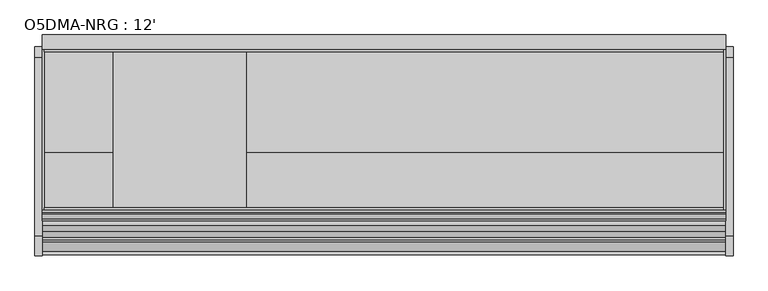
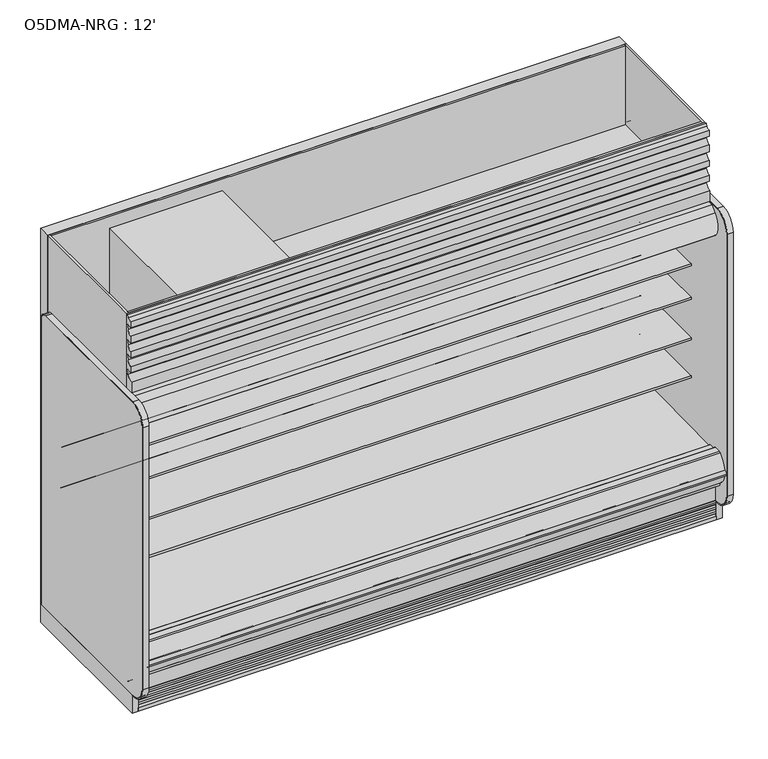
"""IFC4 building model written with IfcOpenShell, lengths in millimetres: proxy geometry, O5DMA-NRG : 12'."""

from ifc_helpers import new_model, si_unit, point, frame, frame_2d, origin, origin_with_axes, place, context, project, spatial, polyline, circle_curve, trimmed, segment, composite_curve, outline, extrude, source, transform, mapped, element, save
from ifc_brep_helpers import plane_surface, cylinder_surface, revolved_surface, advanced_brep


def o5dma_nrg_12_dc35bb54(model_context):
    return source(origin(), model_context, "Body", "SolidModel", [
        extrude(outline(composite_curve([segment(polyline([(-1263.6866217, 2085.9118693), (-1318.6996994, 2085.9118693), (-1318.6996994, 2154.4143683)]), True, "CONTINUOUS"), segment(trimmed(circle_curve(frame_2d((-1319.6860573, 2197.5880723)), 43.1849699), [point((-1318.6996994, 2154.4143683))], [point((-1278.4754826, 2184.6795423))], True, "CARTESIAN"), True, "CONTINUOUS"), segment(polyline([(-1278.4754826, 2184.6795423), (-1268.454686, 2220.5791394), (-1302.3579387, 2213.7016488), (-1308.8711502, 2213.7016488), (-1308.8711502, 2254.1281122)]), True, "CONTINUOUS"), segment(trimmed(circle_curve(frame_2d((-1322.8567475, 2297.2085177)), 45.2936891), [point((-1308.8711502, 2254.1281122))], [point((-1279.6211841, 2283.7102095))], True, "CARTESIAN"), True, "CONTINUOUS"), segment(polyline([(-1279.6211841, 2283.7102095), (-1268.454686, 2319.2947996), (-1302.3579387, 2312.4173089), (-1308.7129688, 2312.4173089), (-1308.7129688, 2352.8952074)]), True, "CONTINUOUS"), segment(trimmed(circle_curve(frame_2d((-1323.0244337, 2396.1573595)), 45.5678816), [point((-1308.7129688, 2352.8952074))], [point((-1279.5752621, 2382.4241398))], True, "CARTESIAN"), True, "CONTINUOUS"), segment(polyline([(-1279.5752621, 2382.4241398), (-1268.454686, 2417.6074274), (-1302.3579387, 2411.1335648), (-1308.7129688, 2411.1335648), (-1308.7129688, 2456.6217182)]), True, "CONTINUOUS"), segment(trimmed(circle_curve(frame_2d((-1323.0244337, 2499.8838703)), 45.5678816), [point((-1308.7129688, 2456.6217182))], [point((-1279.5752621, 2486.1506506))], True, "CARTESIAN"), True, "CONTINUOUS"), segment(polyline([(-1279.5752621, 2486.1506506), (-1268.454686, 2521.3339382), (-1302.3579387, 2514.8600756), (-1308.7129688, 2514.8600756), (-1308.7129688, 2555.3379741)]), True, "CONTINUOUS"), segment(trimmed(circle_curve(frame_2d((-1306.8077518, 2590.2849342)), 34.9988553), [point((-1308.7129688, 2555.3379741))], [point((-1281.9927789, 2565.6042334))], True, "CARTESIAN"), True, "CONTINUOUS"), segment(polyline([(-1281.9927789, 2565.6042334), (-1277.4161637, 2582.0), (-1263.6866217, 2582.0), (-1263.6866217, 2085.9118693)]), True, "CONTINUOUS")], self_intersect=False)), frame((0.0, 0.0, 0.0), z_axis=(1.0, 0.0, 0.0), x_axis=(0.0, 1.0, 0.0)), (0.0, 0.0, 1.0), 3657.6),
        extrude(outline(polyline([(245.4971536, -595.3134422), (245.4971536, -709.6134422), (67.6971536, -709.6134422), (67.6971536, -595.3134422), (245.4971536, -595.3134422)])), frame((0.0, 0.0, 68.5310382), z_axis=(0.0, 0.0, 1.0), x_axis=(1.0, 0.0, 0.0)), (0.0, 0.0, 1.0), 6.35),
        extrude(outline(polyline([(3657.6, -325.3089273), (3657.6, -401.5089273), (0.0, -401.5089273), (0.0, -325.3089273), (3657.6, -325.3089273)])), frame((0.0, 0.0, 206.450819), z_axis=(0.0, 0.0, 1.0), x_axis=(1.0, 0.0, 0.0)), (0.0, 0.0, 1.0), 2375.549181),
        extrude(outline(polyline([(-401.5089273, 2053.8264246), (-955.9036792, 2053.8264246), (-955.9036792, 2075.2), (-1263.6866217, 2075.2), (-1263.6866217, 2582.0), (-401.5089273, 2582.0), (-401.5089273, 2053.8264246)])), frame((3644.9, 0.0, 0.0), z_axis=(1.0, 0.0, 0.0), x_axis=(0.0, 1.0, 0.0)), (0.0, 0.0, 1.0), 12.7),
        extrude(outline(polyline([(3644.9, -401.5089273), (3644.9, -414.2089273), (12.7, -414.2089273), (12.7, -401.5089273), (3644.9, -401.5089273)])), frame((0.0, 0.0, 2053.8264246), z_axis=(0.0, 0.0, 1.0), x_axis=(1.0, 0.0, 0.0)), (0.0, 0.0, 1.0), 528.1735754),
        extrude(outline(polyline([(3644.9, -1249.5614572), (3644.9, -1263.6866217), (12.7, -1263.6866217), (12.7, -1249.5614572), (3644.9, -1249.5614572)])), frame((0.0, 0.0, 2075.2), z_axis=(0.0, 0.0, 1.0), x_axis=(1.0, 0.0, 0.0)), (0.0, 0.0, 1.0), 506.8),
        extrude(outline(polyline([(-401.5089273, 2053.8264246), (-955.9242099, 2053.8264246), (-955.9242099, 2075.2), (-1263.6866217, 2075.2), (-1263.6866217, 2582.0), (-401.5089273, 2582.0), (-401.5089273, 2053.8264246)])), frame((0.0, 0.0, 0.0), z_axis=(1.0, 0.0, 0.0), x_axis=(0.0, 1.0, 0.0)), (0.0, 0.0, 1.0), 12.7),
        extrude(outline(composite_curve([segment(polyline([(-504.9331995, 794.189381), (-504.9331995, 719.0883547), (-528.313746, 719.0883547)]), True, "CONTINUOUS"), segment(trimmed(circle_curve(frame_2d((-528.7455821, 744.4846835)), 25.4), [point((-528.313746, 719.0883547))], [point((-544.7229383, 724.7392008))], False, "CARTESIAN"), True, "CONTINUOUS"), segment(polyline([(-544.7229383, 724.7392008), (-562.5749995, 739.1844663)]), True, "CONTINUOUS"), segment(trimmed(circle_curve(frame_2d((-602.5183901, 689.8207596)), 63.5), [point((-562.5749995, 739.1844663))], [point((-594.6205089, 752.8276915))], True, "CARTESIAN"), True, "CONTINUOUS"), segment(polyline([(-594.6205089, 752.8276915), (-869.1842482, 776.5248289), (-870.6730247, 779.965381), (-1114.4144075, 779.965381), (-1114.4144075, 794.189381), (-504.9331995, 794.189381)]), True, "CONTINUOUS")], self_intersect=False)), frame((0.0, 0.0, 0.0), z_axis=(1.0, 0.0, 0.0), x_axis=(0.0, 1.0, 0.0)), (0.0, 0.0, 1.0), 3657.6),
        extrude(outline(composite_curve([segment(polyline([(-504.9331995, 1049.544493), (-504.9331995, 974.4434667), (-528.313746, 974.4434667)]), True, "CONTINUOUS"), segment(trimmed(circle_curve(frame_2d((-528.7455821, 999.8397955)), 25.4), [point((-528.313746, 974.4434667))], [point((-544.7229383, 980.0943128))], False, "CARTESIAN"), True, "CONTINUOUS"), segment(polyline([(-544.7229383, 980.0943128), (-562.5749995, 994.5395783)]), True, "CONTINUOUS"), segment(trimmed(circle_curve(frame_2d((-602.5183901, 945.1758716)), 63.5), [point((-562.5749995, 994.5395783))], [point((-594.6205089, 1008.1828035))], True, "CARTESIAN"), True, "CONTINUOUS"), segment(polyline([(-594.6205089, 1008.1828035), (-869.1842482, 1031.8799409), (-870.6730247, 1035.320493), (-1114.4144075, 1035.320493), (-1114.4144075, 1049.544493), (-504.9331995, 1049.544493)]), True, "CONTINUOUS")], self_intersect=False)), frame((0.0, 0.0, 0.0), z_axis=(1.0, 0.0, 0.0), x_axis=(0.0, 1.0, 0.0)), (0.0, 0.0, 1.0), 3657.6),
        extrude(outline(composite_curve([segment(polyline([(-504.9331995, 1319.5585779), (-504.9331995, 1244.4575515), (-528.313746, 1244.4575515)]), True, "CONTINUOUS"), segment(trimmed(circle_curve(frame_2d((-528.7455821, 1269.8538803)), 25.4), [point((-528.313746, 1244.4575515))], [point((-544.7229383, 1250.1083976))], False, "CARTESIAN"), True, "CONTINUOUS"), segment(polyline([(-544.7229383, 1250.1083976), (-562.5749995, 1264.5536632)]), True, "CONTINUOUS"), segment(trimmed(circle_curve(frame_2d((-602.5183901, 1215.1899564)), 63.5), [point((-562.5749995, 1264.5536632))], [point((-594.6205089, 1278.1968884))], True, "CARTESIAN"), True, "CONTINUOUS"), segment(polyline([(-594.6205089, 1278.1968884), (-869.1842482, 1301.8940258), (-870.6730247, 1305.3345779), (-1114.4144075, 1305.3345779), (-1114.4144075, 1319.5585779), (-504.9331995, 1319.5585779)]), True, "CONTINUOUS")], self_intersect=False)), frame((0.0, 0.0, 0.0), z_axis=(1.0, 0.0, 0.0), x_axis=(0.0, 1.0, 0.0)), (0.0, 0.0, 1.0), 3657.6),
        extrude(outline(polyline([(-819.1925954, 1873.7130953), (-820.7483185, 1873.3970543), (-824.056726, 1889.6828121), (-824.056726, 1949.6779319), (-754.206726, 1949.6779319), (-754.206726, 1948.4203121), (-766.112976, 1948.4203121), (-801.831726, 1924.6078121), (-801.831726, 1948.4203121), (-822.469226, 1948.4203121), (-822.469226, 1889.8424301), (-819.1925954, 1873.7130953)])), frame((0.0, 0.0, 0.0), z_axis=(1.0, 0.0, 0.0), x_axis=(0.0, 1.0, 0.0)), (0.0, 0.0, 1.0), 3657.6),
        extrude(outline(composite_curve([segment(trimmed(circle_curve(frame_2d((-774.1696558, 1920.6997366)), 14.2875), [point((-788.4571558, 1920.6997366))], [point((-759.8821558, 1920.6997366))], False, "CARTESIAN"), True, "CONTINUOUS"), segment(trimmed(circle_curve(frame_2d((-774.1696558, 1920.6997366)), 14.2875), [point((-759.8821558, 1920.6997366))], [point((-788.4571558, 1920.6997366))], False, "CARTESIAN"), True, "CONTINUOUS")], self_intersect=False)), frame((0.0, 0.0, 0.0), z_axis=(1.0, 0.0, 0.0), x_axis=(0.0, 1.0, 0.0)), (0.0, 0.0, 1.0), 3657.6),
        extrude(outline(polyline([(0.0, -6.35), (0.0, 0.0), (3657.6, 0.0), (3657.6, -6.35), (0.0, -6.35)])), frame((3657.6, -524.3976265, 1670.2859362), z_axis=(0.0, -0.580702955710887, 0.8141155183563569), x_axis=(-1.0, 0.0, 0.0)), (0.0, 0.0, 1.0), 300.455534),
        extrude(outline(composite_curve([segment(trimmed(circle_curve(frame_2d((-507.6345065, 1656.5706649)), 2.8575), [point((-504.9331995, 1655.6388672))], [point((-506.5179923, 1653.9403223))], False, "CARTESIAN"), True, "CONTINUOUS"), segment(polyline([(-506.5179923, 1653.9403223), (-515.6142737, 1650.0791799)]), True, "CONTINUOUS"), segment(trimmed(circle_curve(frame_2d((-516.7307879, 1652.7095225)), 2.8575), [point((-515.6142737, 1650.0791799))], [point((-519.2768391, 1651.4122447))], False, "CARTESIAN"), True, "CONTINUOUS"), segment(polyline([(-519.2768391, 1651.4122447), (-527.2046481, 1666.971446)]), True, "CONTINUOUS"), segment(trimmed(circle_curve(frame_2d((-526.0730698, 1667.5480139)), 1.27), [point((-527.2046481, 1666.971446))], [point((-526.6496378, 1668.6795922))], False, "CARTESIAN"), True, "CONTINUOUS"), segment(polyline([(-526.6496378, 1668.6795922), (-519.227993, 1673.9734), (-507.4434516, 1657.4520824), (-506.0470065, 1656.5706649), (-506.0470065, 1694.6699147), (-504.9331995, 1694.6699147), (-504.9331995, 1655.6388672)]), True, "CONTINUOUS")], self_intersect=False)), frame((0.0, 0.0, 0.0), z_axis=(1.0, 0.0, 0.0), x_axis=(0.0, 1.0, 0.0)), (0.0, 0.0, 1.0), 3657.6),
        extrude(outline(composite_curve([segment(polyline([(-696.8626604, 1923.0080191), (-693.7034096, 1918.5789129), (-698.8730432, 1914.8914491), (-701.4750016, 1914.0888217)]), True, "CONTINUOUS"), segment(trimmed(circle_curve(frame_2d((-702.1352778, 1916.2293059)), 2.2400083), [point((-701.4750016, 1914.0888217))], [point((-703.3202525, 1914.3283924))], False, "CARTESIAN"), True, "CONTINUOUS"), segment(polyline([(-703.3202525, 1914.3283924), (-727.3498745, 1948.0166799), (-743.2248745, 1948.0166799), (-743.2248745, 1949.6779319), (-726.9748589, 1949.6779319), (-714.1682492, 1931.7237274), (-704.480356, 1938.6340345)]), True, "CONTINUOUS"), segment(trimmed(circle_curve(frame_2d((-703.7428632, 1937.6001078)), 1.27), [point((-704.480356, 1938.6340345))], [point((-702.7089365, 1938.3376005))], False, "CARTESIAN"), True, "CONTINUOUS"), segment(polyline([(-702.7089365, 1938.3376005), (-693.4902771, 1925.4135167), (-696.8626604, 1923.0080191)]), True, "CONTINUOUS")], self_intersect=False)), frame((0.0, 0.0, 0.0), z_axis=(1.0, 0.0, 0.0), x_axis=(0.0, 1.0, 0.0)), (0.0, 0.0, 1.0), 3657.6),
        extrude(outline(composite_curve([segment(trimmed(circle_curve(frame_2d((368.3, 3578.0090336)), 12.7), [point((368.3, 3590.7090336))], [point((368.3, 3565.3090336))], False, "CARTESIAN"), True, "CONTINUOUS"), segment(trimmed(circle_curve(frame_2d((368.3, 3578.0090336)), 12.7), [point((368.3, 3565.3090336))], [point((368.3, 3590.7090336))], False, "CARTESIAN"), True, "CONTINUOUS")], self_intersect=False)), frame((0.0, -447.5561252, 0.0), z_axis=(0.0, 1.0, 0.0), x_axis=(0.0, 0.0, 1.0)), (0.0, 0.0, 1.0), 52.3971979),
        extrude(outline(composite_curve([segment(trimmed(circle_curve(frame_2d((368.3, 3539.5972115)), 9.525), [point((368.3, 3549.1222115))], [point((368.3, 3530.0722115))], False, "CARTESIAN"), True, "CONTINUOUS"), segment(trimmed(circle_curve(frame_2d((368.3, 3539.5972115)), 9.525), [point((368.3, 3530.0722115))], [point((368.3, 3549.1222115))], False, "CARTESIAN"), True, "CONTINUOUS")], self_intersect=False)), frame((0.0, -447.5561252, 0.0), z_axis=(0.0, 1.0, 0.0), x_axis=(0.0, 0.0, 1.0)), (0.0, 0.0, 1.0), 52.3971979),
        extrude(outline(composite_curve([segment(polyline([(-451.7851762, 2003.6360246), (-451.7851762, 404.745884), (-504.9331995, 404.745884), (-504.9331995, 1926.7316344)]), True, "CONTINUOUS"), segment(trimmed(circle_curve(frame_2d((-530.2144075, 1924.2779595)), 25.4), [point((-504.9331995, 1926.7316344))], [point((-530.1770065, 1949.6779319))], True, "CARTESIAN"), True, "CONTINUOUS"), segment(polyline([(-530.1770065, 1949.6779319), (-1114.9745421, 1949.6779319), (-1114.9745421, 1914.2218291)]), True, "CONTINUOUS"), segment(trimmed(circle_curve(frame_2d((-1117.196833, 1914.2218291)), 2.2222909), [point((-1114.9745421, 1914.2218291))], [point((-1117.196833, 1911.9995382))], False, "CARTESIAN"), True, "CONTINUOUS"), segment(polyline([(-1117.196833, 1911.9995382), (-1126.6611644, 1911.9995382)]), True, "CONTINUOUS"), segment(trimmed(circle_curve(frame_2d((-1126.6611644, 1912.3170382)), 0.3175), [point((-1126.6611644, 1911.9995382))], [point((-1126.6611644, 1912.6345382))], False, "CARTESIAN"), True, "CONTINUOUS"), segment(polyline([(-1126.6611644, 1912.6345382), (-1117.1970421, 1912.6345382)]), True, "CONTINUOUS"), segment(trimmed(circle_curve(frame_2d((-1117.1970421, 1914.2220382)), 1.5875), [point((-1117.1970421, 1912.6345382))], [point((-1115.6095421, 1914.2220382))], True, "CARTESIAN"), True, "CONTINUOUS"), segment(polyline([(-1115.6095421, 1914.2220382), (-1115.6095421, 1942.4487846), (-1220.1998155, 1942.4487846), (-1220.1998155, 1914.2220382)]), True, "CONTINUOUS"), segment(trimmed(circle_curve(frame_2d((-1218.6123155, 1914.2220382)), 1.5875), [point((-1220.1998155, 1914.2220382))], [point((-1218.6123155, 1912.6345382))], True, "CARTESIAN"), True, "CONTINUOUS"), segment(polyline([(-1218.6123155, 1912.6345382), (-1209.9959099, 1912.6345382)]), True, "CONTINUOUS"), segment(trimmed(circle_curve(frame_2d((-1209.9959099, 1912.3170382)), 0.3175), [point((-1209.9959099, 1912.6345382))], [point((-1209.9959099, 1911.9995382))], False, "CARTESIAN"), True, "CONTINUOUS"), segment(polyline([(-1209.9959099, 1911.9995382), (-1218.6125246, 1911.9995382)]), True, "CONTINUOUS"), segment(trimmed(circle_curve(frame_2d((-1218.6125246, 1914.2218291)), 2.2222909), [point((-1218.6125246, 1911.9995382))], [point((-1220.8348155, 1914.2220382))], False, "CARTESIAN"), True, "CONTINUOUS"), segment(polyline([(-1220.8348155, 1914.2220382), (-1220.8264025, 2003.6360246), (-451.7851762, 2003.6360246)]), True, "CONTINUOUS")], self_intersect=False)), frame((0.0, 0.0, 0.0), z_axis=(1.0, 0.0, 0.0), x_axis=(0.0, 1.0, 0.0)), (0.0, 0.0, 1.0), 3657.6),
        advanced_brep(
        [(3657.6, -1428.7889874, 391.24255), (3657.6, -1428.7889874, 254.2724833), (3657.6, -1275.0830824, 130.175), (3657.6, -401.5089273, 130.175), (3657.6, -401.5089273, 2053.8264246), (3657.6, -1260.1538424, 2053.8264246), (3657.6, -1260.1538424, 2003.6360246), (3657.6, -451.7851762, 2003.6360246), (3657.6, -451.7851762, 363.9695251), (3657.6, -599.5014929, 211.662363), (3657.6, -1043.5931205, 195.6779213), (3657.6, -1096.7050237, 157.095884), (3657.6, -1163.5210307, 157.095884), (3657.6, -1221.5656168, 189.2720563), (3657.6, -1379.2843872, 341.5792153), (3657.6, -1379.2843872, 391.24255), (0.0, -1428.7889874, 391.24255), (0.0, -1379.2843872, 391.24255), (0.0, -1379.2843872, 341.5792153), (0.0, -1221.5656168, 189.2720563), (0.0, -1163.5210307, 157.095884), (0.0, -1096.7050237, 157.095884), (0.0, -1043.5931205, 195.6779213), (0.0, -599.5014929, 211.662363), (0.0, -451.7851762, 363.9695251), (0.0, -451.7851762, 2003.6360246), (0.0, -1260.1538424, 2003.6360246), (0.0, -1260.1538424, 2053.8264246), (0.0, -401.5089273, 2053.8264246), (0.0, -401.5089273, 130.175), (0.0, -1275.0830824, 130.175), (0.0, -1428.7889874, 254.2724833), (3556.0, -401.5089273, 317.5), (3556.0, -401.5089273, 419.1), (3556.0, -447.5561252, 317.5), (3556.0, -447.5561252, 419.1)],
        [
            (0, 1),
            (1, 2),
            (2, 3),
            (3, 4),
            (4, 5),
            (5, 6),
            (6, 7),
            (7, 8),
            (8, 9, circle_curve(frame((3657.6, -605.0132276, 364.7934683), z_axis=(-1.0, 0.0, 0.0), x_axis=(0.0, 1.0, 0.0)), 153.2302667)),
            (9, 10),
            (10, 11),
            (11, 12),
            (12, 13),
            (13, 14, circle_curve(frame((3657.6, -1226.8843872, 341.5792153), z_axis=(-1.0, 0.0, 0.0), x_axis=(0.0, 1.0, 0.0)), 152.4)),
            (14, 15),
            (15, 0),
            (16, 17),
            (17, 18),
            (18, 19, circle_curve(frame((0.0, -1226.8843872, 341.5792153), z_axis=(1.0, 0.0, 0.0), x_axis=(0.0, 1.0, 0.0)), 152.4)),
            (19, 20),
            (20, 21),
            (21, 22),
            (22, 23),
            (23, 24, circle_curve(frame((0.0, -605.0132276, 364.7934683), z_axis=(1.0, 0.0, 0.0), x_axis=(0.0, 1.0, 0.0)), 153.2302667)),
            (24, 25),
            (25, 26),
            (26, 27),
            (27, 28),
            (28, 29),
            (29, 30),
            (30, 31),
            (31, 16),
            (0, 16),
            (31, 1),
            (30, 2),
            (29, 3),
            (28, 4),
            (32, 33, circle_curve(frame((3556.0, -401.5089273, 368.3), z_axis=(0.0, -1.0, 0.0), x_axis=(0.0, 0.0, 1.0)), 50.8)),
            (33, 32, circle_curve(frame((3556.0, -401.5089273, 368.3), z_axis=(0.0, -1.0, 0.0), x_axis=(0.0, 0.0, 1.0)), 50.8)),
            (27, 5),
            (26, 6),
            (25, 7),
            (24, 8),
            (23, 9),
            (22, 10),
            (21, 11),
            (20, 12),
            (19, 13),
            (18, 14),
            (17, 15),
            (34, 35, circle_curve(frame((3556.0, -447.5561252, 368.3), z_axis=(0.0, 1.0, 0.0), x_axis=(0.0, 0.0, 1.0)), 50.8)),
            (35, 34, circle_curve(frame((3556.0, -447.5561252, 368.3), z_axis=(0.0, 1.0, 0.0), x_axis=(0.0, 0.0, 1.0)), 50.8)),
            (35, 33),
            (32, 34),
        ],
        [
            plane_surface(frame((3657.6, -1428.7889874, 254.2724833), z_axis=(1.0, 0.0, 0.0), x_axis=(0.0, 0.0, -1.0))),
            plane_surface(frame((0.0, -1428.7889874, 254.2724833), z_axis=(-1.0, 0.0, 0.0), x_axis=(0.0, 0.0, 1.0))),
            plane_surface(frame((3657.6, -1428.7889874, 391.24255), z_axis=(0.0, -1.0, 0.0), x_axis=(-1.0, 0.0, 0.0))),
            plane_surface(frame((3657.6, -1428.7889874, 254.2724833), z_axis=(0.0, -0.6281851642637378, -0.7780638787393622), x_axis=(-1.0, 0.0, 0.0))),
            plane_surface(frame((3657.6, -1275.0830824, 130.175), z_axis=(0.0, 0.0, -1.0), x_axis=(-1.0, 0.0, 0.0))),
            plane_surface(frame((3657.6, -401.5089273, 130.175), z_axis=(0.0, 1.0, 0.0), x_axis=(-1.0, 0.0, 0.0))),
            plane_surface(frame((3657.6, -401.5089273, 2053.8264246), z_axis=(0.0, 0.0, 1.0), x_axis=(-1.0, 0.0, 0.0))),
            plane_surface(frame((3657.6, -1260.1538424, 2053.8264246), z_axis=(0.0, -1.0, 0.0), x_axis=(-1.0, 0.0, 0.0))),
            plane_surface(frame((3657.6, -1260.1538424, 2003.6360246), z_axis=(0.0, 0.0, -1.0), x_axis=(-1.0, 0.0, 0.0))),
            plane_surface(frame((3657.6, -451.7851762, 2003.6360246), z_axis=(0.0, -1.0, 0.0), x_axis=(-1.0, 0.0, 0.0))),
            revolved_surface(polyline([(0.0, -451.78296090000003, 364.7934683), (3657.6, -451.78296090000003, 364.7934683)]), (0.0, -605.0132276, 364.7934683), (-1.0, 0.0, 0.0)),
            plane_surface(frame((3657.6, -599.5014929, 211.662363), z_axis=(0.0, -0.035970274152171335, 0.9993528602938092), x_axis=(-1.0, 0.0, 0.0))),
            plane_surface(frame((3657.6, -1043.5931205, 195.6779213), z_axis=(0.0, -0.5877252382160976, 0.8090605937529224), x_axis=(-1.0, 0.0, 0.0))),
            plane_surface(frame((3657.6, -1096.7050237, 157.095884), z_axis=(0.0, 0.0, 1.0), x_axis=(-1.0, 0.0, 0.0))),
            plane_surface(frame((3657.6, -1163.5210307, 157.095884), z_axis=(0.0, 0.48482728759131516, 0.8746099137368889), x_axis=(-1.0, 0.0, 0.0))),
            revolved_surface(polyline([(0.0, -1074.4843872, 341.5792153), (3657.6, -1074.4843872, 341.5792153)]), (0.0, -1226.8843872, 341.5792153), (-1.0, 0.0, 0.0)),
            plane_surface(frame((3657.6, -1379.2843872, 341.5792153), z_axis=(0.0, 1.0, 0.0), x_axis=(-1.0, 0.0, 0.0))),
            plane_surface(frame((3657.6, -1379.2843872, 391.24255), z_axis=(0.0, 0.0, 1.0), x_axis=(-1.0, 0.0, 0.0))),
            plane_surface(frame((3556.0, -447.5561252, 419.1), z_axis=(0.0, 1.0, 0.0), x_axis=(-1.0, 0.0, 0.0))),
            revolved_surface(polyline([(3556.0, -447.5561252, 419.1), (3556.0, -401.5089273, 419.1)]), (3556.0, -401.5089273, 368.3), (0.0, -1.0, 0.0)),
        ],
        [
            (0, [[1, 2, 3, 4, 5, 6, 7, 8, 9, 10, 11, 12, 13, 14, 15, 16]]),
            (1, [[17, 18, 19, 20, 21, 22, 23, 24, 25, 26, 27, 28, 29, 30, 31, 32]]),
            (2, [[-1, 33, -32, 34]]),
            (3, [[-2, -34, -31, 35]]),
            (4, [[-3, -35, -30, 36]]),
            (5, [[-4, -36, -29, 37], [38, 39]]),
            (6, [[-5, -37, -28, 40]]),
            (7, [[-6, -40, -27, 41]]),
            (8, [[-7, -41, -26, 42]]),
            (9, [[-8, -42, -25, 43]]),
            (10, [[-9, -43, -24, 44]]),
            (11, [[-10, -44, -23, 45]]),
            (12, [[-11, -45, -22, 46]]),
            (13, [[-12, -46, -21, 47]]),
            (14, [[-13, -47, -20, 48]]),
            (15, [[-14, -48, -19, 49]]),
            (16, [[-15, -49, -18, 50]]),
            (17, [[-16, -50, -17, -33]]),
            (18, [[51, 52]]),
            (19, [[-52, 53, -38, 54]]),
            (19, [[-51, -54, -39, -53]]),
        ],
    ),
        advanced_brep(
        [(3657.6, -1221.5656168, 189.2720563), (3657.6, -1163.5210307, 157.095884), (3657.6, -1096.7050237, 157.095884), (3657.6, -1043.5931205, 195.6779213), (3657.6, -599.5014929, 211.662363), (3657.6, -451.7851762, 363.9695251), (3657.6, -451.7851762, 404.745884), (3657.6, -504.9543965, 404.745884), (3657.6, -504.9543965, 468.8781737), (3657.6, -516.6398058, 457.951581), (3657.6, -611.5826347, 451.2993262), (3657.6, -611.5826347, 459.5548668), (3657.6, -1317.6144075, 447.2310363), (3657.6, -1317.6144075, 451.8697146), (3657.6, -1324.3287142, 459.701519), (3657.6, -1379.2843872, 459.701519), (3657.6, -1379.2843872, 341.5792153), (0.0, -1221.5656168, 189.2720563), (0.0, -1379.2843872, 341.5792153), (0.0, -1379.2843872, 459.701519), (0.0, -1324.3287142, 459.701519), (0.0, -1317.6144075, 451.8697146), (0.0, -1317.6144075, 447.2310363), (0.0, -611.5826347, 459.5548668), (0.0, -611.5826347, 451.2993262), (0.0, -516.6285003, 457.9391661), (0.0, -504.9543965, 468.8781737), (0.0, -504.9543965, 404.745884), (0.0, -451.7851762, 404.745884), (0.0, -451.7851762, 363.9695251), (0.0, -599.5014929, 211.662363), (0.0, -1043.5931205, 195.6779213), (0.0, -1096.7050237, 157.095884), (0.0, -1163.5210307, 157.095884)],
        [
            (0, 1),
            (1, 2),
            (2, 3),
            (3, 4),
            (4, 5, circle_curve(frame((3657.6, -605.0132276, 364.7934683), z_axis=(1.0, 0.0, 0.0), x_axis=(0.0, 1.0, 0.0)), 153.2302667)),
            (5, 6),
            (6, 7),
            (7, 8),
            (8, 9, circle_curve(frame((3657.6, -517.5249667, 470.6099714), z_axis=(-1.0, 0.0, 0.0), x_axis=(0.0, 1.0, 0.0)), 12.689301)),
            (9, 10),
            (10, 11),
            (11, 12),
            (12, 13),
            (13, 14, circle_curve(frame((3657.6, -1325.5392075, 451.8697146), z_axis=(1.0, 0.0, 0.0), x_axis=(0.0, 1.0, 0.0)), 7.9248)),
            (14, 15),
            (15, 16),
            (16, 0, circle_curve(frame((3657.6, -1226.8843872, 341.5792153), z_axis=(1.0, 0.0, 0.0), x_axis=(0.0, 1.0, 0.0)), 152.4)),
            (17, 18, circle_curve(frame((0.0, -1226.8843872, 341.5792153), z_axis=(-1.0, 0.0, 0.0), x_axis=(0.0, 1.0, 0.0)), 152.4)),
            (18, 19),
            (19, 20),
            (20, 21, circle_curve(frame((0.0, -1325.5392075, 451.8697146), z_axis=(-1.0, 0.0, 0.0), x_axis=(0.0, 1.0, 0.0)), 7.9248)),
            (21, 22),
            (22, 23),
            (23, 24),
            (24, 25),
            (25, 26, circle_curve(frame((0.0, -517.5249667, 470.6099714), z_axis=(1.0, 0.0, 0.0), x_axis=(0.0, 1.0, 0.0)), 12.689301)),
            (26, 27),
            (27, 28),
            (28, 29),
            (29, 30, circle_curve(frame((0.0, -605.0132276, 364.7934683), z_axis=(-1.0, 0.0, 0.0), x_axis=(0.0, 1.0, 0.0)), 153.2302667)),
            (30, 31),
            (31, 32),
            (32, 33),
            (33, 17),
            (15, 19),
            (18, 16),
            (17, 0),
            (33, 1),
            (32, 2),
            (31, 3),
            (30, 4),
            (29, 5),
            (28, 6),
            (27, 7),
            (26, 8),
            (25, 9),
            (24, 10),
            (23, 11),
            (22, 12),
            (14, 20),
            (21, 13),
        ],
        [
            plane_surface(frame((3657.6, -1221.5656168, 189.2720563), z_axis=(1.0, 0.0, 0.0), x_axis=(0.0, 0.8746099137368883, -0.48482728759131605))),
            plane_surface(frame((0.0, -1221.5656168, 189.2720563), z_axis=(-1.0, 0.0, 0.0), x_axis=(0.0, -0.8746099137368883, 0.48482728759131605))),
            plane_surface(frame((3657.6, -1379.2843872, 459.701519), z_axis=(0.0, -1.0, 0.0), x_axis=(-1.0, 0.0, 0.0))),
            cylinder_surface(frame((0.0, -1226.8843872, 341.5792153), z_axis=(1.0, 0.0, 0.0), x_axis=(0.0, 1.0, 0.0)), 152.4),
            plane_surface(frame((3657.6, -1221.5656168, 189.2720563), z_axis=(0.0, -0.48482728759131605, -0.8746099137368883), x_axis=(-1.0, 0.0, 0.0))),
            plane_surface(frame((3657.6, -1163.5210307, 157.095884), z_axis=(0.0, 0.0, -1.0), x_axis=(-1.0, 0.0, 0.0))),
            plane_surface(frame((3657.6, -1096.7050237, 157.095884), z_axis=(0.0, 0.5877252382160976, -0.8090605937529224), x_axis=(-1.0, 0.0, 0.0))),
            plane_surface(frame((3657.6, -1043.5931205, 195.6779213), z_axis=(0.0, 0.03597027415217135, -0.9993528602938092), x_axis=(-1.0, 0.0, 0.0))),
            cylinder_surface(frame((0.0, -605.0132276, 364.7934683), z_axis=(1.0, 0.0, 0.0), x_axis=(0.0, 1.0, 0.0)), 153.2302667),
            plane_surface(frame((3657.6, -451.7851762, 363.9695251), z_axis=(0.0, 1.0, 0.0), x_axis=(-1.0, 0.0, 0.0))),
            plane_surface(frame((3657.6, -451.7851762, 404.745884), z_axis=(0.0, 0.0, 1.0), x_axis=(-1.0, 0.0, 0.0))),
            plane_surface(frame((3657.6, -504.9543965, 404.745884), z_axis=(0.0, 1.0, 0.0), x_axis=(-1.0, 0.0, 0.0))),
            revolved_surface(polyline([(0.0, -504.83566570000005, 470.6099714), (3657.6, -504.83566570000005, 470.6099714)]), (0.0, -517.5249667, 470.6099714), (-1.0, 0.0, 0.0)),
            plane_surface(frame((3657.6, -516.6285003, 457.9391661), z_axis=(0.0, -0.06975647369769093, 0.9975640502630714), x_axis=(-1.0, 0.0, 0.0))),
            plane_surface(frame((3657.6, -611.5826347, 451.2993262), z_axis=(0.0, 1.0, 0.0), x_axis=(-1.0, 0.0, 0.0))),
            plane_surface(frame((3657.6, -611.5826347, 459.5548668), z_axis=(0.0, -0.0174524064372834, 0.9998476951563914), x_axis=(-1.0, 0.0, 0.0))),
            plane_surface(frame((3657.6, -1324.3287142, 459.701519), z_axis=(0.0, 0.0, 1.0), x_axis=(-1.0, 0.0, 0.0))),
            plane_surface(frame((3657.6, -1317.6144075, 447.2310363), z_axis=(0.0, 1.0, 0.0), x_axis=(-1.0, 0.0, 0.0))),
            cylinder_surface(frame((0.0, -1325.5392075, 451.8697146), z_axis=(1.0, 0.0, 0.0), x_axis=(0.0, 1.0, 0.0)), 7.9248),
        ],
        [
            (0, [[1, 2, 3, 4, 5, 6, 7, 8, 9, 10, 11, 12, 13, 14, 15, 16, 17]]),
            (1, [[18, 19, 20, 21, 22, 23, 24, 25, 26, 27, 28, 29, 30, 31, 32, 33, 34]]),
            (2, [[-16, 35, -19, 36]]),
            (3, [[-17, -36, -18, 37]]),
            (4, [[-1, -37, -34, 38]]),
            (5, [[-2, -38, -33, 39]]),
            (6, [[-3, -39, -32, 40]]),
            (7, [[-4, -40, -31, 41]]),
            (8, [[-5, -41, -30, 42]]),
            (9, [[-6, -42, -29, 43]]),
            (10, [[-7, -43, -28, 44]]),
            (11, [[-8, -44, -27, 45]]),
            (12, [[-9, -45, -26, 46]]),
            (13, [[-10, -46, -25, 47]]),
            (14, [[-11, -47, -24, 48]]),
            (15, [[-12, -48, -23, 49]]),
            (16, [[-15, 50, -20, -35]]),
            (17, [[-13, -49, -22, 51]]),
            (18, [[-14, -51, -21, -50]]),
        ],
    ),
        extrude(outline(composite_curve([segment(trimmed(circle_curve(frame_2d((1828.8, -1128.5839273)), 38.1), [point((1790.7, -1128.5839273))], [point((1866.9, -1128.5839273))], False, "CARTESIAN"), True, "CONTINUOUS"), segment(trimmed(circle_curve(frame_2d((1828.8, -1128.5839273)), 38.1), [point((1866.9, -1128.5839273))], [point((1790.7, -1128.5839273))], False, "CARTESIAN"), True, "CONTINUOUS")], self_intersect=False)), frame((0.0, 0.0, 66.7090149), z_axis=(0.0, 0.0, 1.0), x_axis=(1.0, 0.0, 0.0)), (0.0, 0.0, 1.0), 57.1159851),
        advanced_brep(
        [(3657.6, -401.5089273, 0.0), (3657.6, -401.5089273, 130.175), (3657.6, -1207.9589273, 130.175), (3657.6, -1207.9589273, 0.0), (3657.6, -1161.1594273, 0.0), (3657.6, -1161.1594273, 74.8810382), (3657.6, -446.7209273, 74.8810382), (3657.6, -446.7209273, 0.0), (0.0, -401.5089273, 0.0), (0.0, -446.7209273, 0.0), (0.0, -446.7209273, 74.8810382), (0.0, -1161.1594273, 74.8810382), (0.0, -1161.1594273, 0.0), (0.0, -1207.9589273, 0.0), (0.0, -1207.9589273, 130.175), (0.0, -401.5089273, 130.175), (1789.8195331, -1161.1594273, 0.0), (1867.7804669, -1161.1594273, 0.0), (1867.7804669, -1161.1594273, 74.8810382), (1789.8195331, -1161.1594273, 74.8810382), (1879.6, -1128.5839273, 74.8810382), (1778.0, -1128.5839273, 74.8810382), (1778.0, -1128.5839273, 123.825), (1879.6, -1128.5839273, 123.825)],
        [
            (0, 1),
            (1, 2),
            (2, 3),
            (3, 4),
            (4, 5),
            (5, 6),
            (6, 7),
            (7, 0),
            (8, 9),
            (9, 10),
            (10, 11),
            (11, 12),
            (12, 13),
            (13, 14),
            (14, 15),
            (15, 8),
            (0, 8),
            (15, 1),
            (14, 2),
            (13, 3),
            (12, 16),
            (16, 17, circle_curve(frame((1828.8, -1128.5839273, 0.0), z_axis=(0.0, 0.0, 1.0), x_axis=(1.0, 0.0, 0.0)), 50.8)),
            (17, 4),
            (17, 18),
            (18, 5),
            (11, 19),
            (19, 16),
            (18, 20, circle_curve(frame((1828.8, -1128.5839273, 74.8810382), z_axis=(0.0, 0.0, 1.0), x_axis=(1.0, 0.0, 0.0)), 50.8)),
            (20, 21, circle_curve(frame((1828.8, -1128.5839273, 74.8810382), z_axis=(0.0, 0.0, 1.0), x_axis=(1.0, 0.0, 0.0)), 50.8)),
            (21, 19, circle_curve(frame((1828.8, -1128.5839273, 74.8810382), z_axis=(0.0, 0.0, 1.0), x_axis=(1.0, 0.0, 0.0)), 50.8)),
            (10, 6),
            (9, 7),
            (22, 23, circle_curve(frame((1828.8, -1128.5839273, 123.825), z_axis=(0.0, 0.0, -1.0), x_axis=(1.0, 0.0, 0.0)), 50.8)),
            (23, 22, circle_curve(frame((1828.8, -1128.5839273, 123.825), z_axis=(0.0, 0.0, -1.0), x_axis=(1.0, 0.0, 0.0)), 50.8)),
            (23, 20),
            (21, 22),
        ],
        [
            plane_surface(frame((3657.6, -401.5089273, 1893.5715584), z_axis=(1.0, 0.0, 0.0), x_axis=(0.0, 0.0, 1.0))),
            plane_surface(frame((0.0, -401.5089273, 1893.5715584), z_axis=(-1.0, 0.0, 0.0), x_axis=(0.0, 0.0, -1.0))),
            plane_surface(frame((3657.6, -401.5089273, 0.0), z_axis=(0.0, 1.0, 0.0), x_axis=(-1.0, 0.0, 0.0))),
            plane_surface(frame((3657.6, -401.5089273, 130.175), z_axis=(0.0, 0.0, 1.0), x_axis=(-1.0, 0.0, 0.0))),
            plane_surface(frame((3657.6, -1207.9589273, 130.175), z_axis=(0.0, -1.0, 0.0), x_axis=(-1.0, 0.0, 0.0))),
            plane_surface(frame((3657.6, -1207.9589273, 0.0), z_axis=(0.0, 0.0, -1.0), x_axis=(-1.0, 0.0, 0.0))),
            plane_surface(frame((3657.6, -1161.1594273, 0.0), z_axis=(0.0, 1.0, 0.0), x_axis=(-1.0, 0.0, 0.0))),
            plane_surface(frame((3657.6, -1161.1594273, 74.8810382), z_axis=(0.0, 0.0, -1.0), x_axis=(-1.0, 0.0, 0.0))),
            plane_surface(frame((3657.6, -446.7209273, 74.8810382), z_axis=(0.0, -1.0, 0.0), x_axis=(-1.0, 0.0, 0.0))),
            plane_surface(frame((3657.6, -446.7209273, 0.0), z_axis=(0.0, 0.0, -1.0), x_axis=(-1.0, 0.0, 0.0))),
            plane_surface(frame((1879.6, -1128.5839273, 123.825), z_axis=(0.0, 0.0, -1.0), x_axis=(0.0, 1.0, 0.0))),
            revolved_surface(polyline([(1879.6, -1128.5839273, 123.825), (1879.6, -1128.5839273, 0.0)]), (1828.8, -1128.5839273, 0.0), (0.0, 0.0, 1.0)),
            revolved_surface(polyline([(1879.6, -1128.5839273, 123.825), (1879.6, -1128.5839273, 74.8810382)]), (1828.8, -1128.5839273, 0.0), (0.0, 0.0, 1.0)),
        ],
        [
            (0, [[1, 2, 3, 4, 5, 6, 7, 8]]),
            (1, [[9, 10, 11, 12, 13, 14, 15, 16]]),
            (2, [[-1, 17, -16, 18]]),
            (3, [[-2, -18, -15, 19]]),
            (4, [[-3, -19, -14, 20]]),
            (5, [[-4, -20, -13, 21, 22, 23]]),
            (6, [[-5, -23, 24, 25]]),
            (6, [[-12, 26, 27, -21]]),
            (7, [[-6, -25, 28, 29, 30, -26, -11, 31]]),
            (8, [[-7, -31, -10, 32]]),
            (9, [[-8, -32, -9, -17]]),
            (10, [[33, 34]]),
            (11, [[-34, 35, -28, -24, -22, -27, -30, 36]]),
            (12, [[-33, -36, -29, -35]]),
        ],
    ),
        extrude(outline(polyline([(3657.6, -1116.5701579), (3657.6, -1218.1701566), (0.0, -1218.1701566), (0.0, -1116.5701579), (3657.6, -1116.5701579)])), frame((0.0, 0.0, 1917.0487834), z_axis=(0.0, 0.0, 1.0), x_axis=(1.0, 0.0, 0.0)), (0.0, 0.0, 1.0), 25.4000011),
        extrude(outline(composite_curve([segment(polyline([(-1260.1538424, 2053.8264246), (-1260.1538424, 2003.6360246), (-1220.8264025, 2003.6360246), (-1220.8344922, 1917.6586919), (-1224.0993787, 1917.6586919), (-1267.3535045, 1944.5671584), (-1351.2398379, 1944.5671584), (-1356.6580659, 1915.1925269), (-1364.7530353, 1908.6350237), (-1366.511868, 1902.7826624), (-1372.4488058, 1893.5938836)]), True, "CONTINUOUS"), segment(trimmed(circle_curve(frame_2d((-1375.8465098, 1899.7176579)), 7.0032138), [point((-1372.4488058, 1893.5938836))], [point((-1381.0745434, 1895.0579725))], False, "CARTESIAN"), True, "CONTINUOUS"), segment(trimmed(circle_curve(frame_2d((-1302.2709587, 1965.2946894)), 105.5613631), [point((-1381.0745434, 1895.0579725))], [point((-1375.3239258, 2041.4948558))], False, "CARTESIAN"), True, "CONTINUOUS"), segment(trimmed(circle_curve(frame_2d((-1841.8678083, 2527.7369217)), 673.865373), [point((-1375.3239258, 2041.4948558))], [point((-1342.5634167, 2075.2))], True, "CARTESIAN"), True, "CONTINUOUS"), segment(polyline([(-1342.5634167, 2075.2), (-955.9242099, 2075.2), (-955.9242099, 2053.8264246), (-1260.1538424, 2053.8264246)]), True, "CONTINUOUS")], self_intersect=False)), frame((0.0, 0.0, 0.0), z_axis=(1.0, 0.0, 0.0), x_axis=(0.0, 1.0, 0.0)), (0.0, 0.0, 1.0), 3657.6),
        extrude(outline(composite_curve([segment(trimmed(circle_curve(frame_2d((-1283.5813717, 1926.408005)), 14.2875), [point((-1297.8688717, 1926.408005))], [point((-1269.2938717, 1926.408005))], False, "CARTESIAN"), True, "CONTINUOUS"), segment(trimmed(circle_curve(frame_2d((-1283.5813717, 1926.408005)), 14.2875), [point((-1269.2938717, 1926.408005))], [point((-1297.8688717, 1926.408005))], False, "CARTESIAN"), True, "CONTINUOUS")], self_intersect=False)), frame((0.0, 0.0, 0.0), z_axis=(1.0, 0.0, 0.0), x_axis=(0.0, 1.0, 0.0)), (0.0, 0.0, 1.0), 3657.6),
        extrude(outline(composite_curve([segment(trimmed(circle_curve(frame_2d((-1328.6626169, 1926.9342226)), 14.2875), [point((-1342.9501169, 1926.9342226))], [point((-1314.3751169, 1926.9342226))], False, "CARTESIAN"), True, "CONTINUOUS"), segment(trimmed(circle_curve(frame_2d((-1328.6626169, 1926.9342226)), 14.2875), [point((-1314.3751169, 1926.9342226))], [point((-1342.9501169, 1926.9342226))], False, "CARTESIAN"), True, "CONTINUOUS")], self_intersect=False)), frame((0.0, 0.0, 0.0), z_axis=(1.0, 0.0, 0.0), x_axis=(0.0, 1.0, 0.0)), (0.0, 0.0, 1.0), 3657.6),
        extrude(outline(composite_curve([segment(polyline([(-504.9331995, 1543.1704193), (-504.9331995, 1468.069393), (-528.313746, 1468.069393)]), True, "CONTINUOUS"), segment(trimmed(circle_curve(frame_2d((-528.7455821, 1493.4657218)), 25.4), [point((-528.313746, 1468.069393))], [point((-544.7229383, 1473.7202391))], False, "CARTESIAN"), True, "CONTINUOUS"), segment(polyline([(-544.7229383, 1473.7202391), (-562.5749995, 1488.1655047)]), True, "CONTINUOUS"), segment(trimmed(circle_curve(frame_2d((-602.5183901, 1438.8017979)), 63.5), [point((-562.5749995, 1488.1655047))], [point((-594.6205089, 1501.8087298))], True, "CARTESIAN"), True, "CONTINUOUS"), segment(polyline([(-594.6205089, 1501.8087298), (-869.1842482, 1525.5058672), (-870.6730247, 1528.9464193), (-1114.4144075, 1528.9464193), (-1114.4144075, 1543.1704193), (-504.9331995, 1543.1704193)]), True, "CONTINUOUS")], self_intersect=False)), frame((0.0, 0.0, 0.0), z_axis=(1.0, 0.0, 0.0), x_axis=(0.0, 1.0, 0.0)), (0.0, 0.0, 1.0), 3657.6),
        extrude(outline(composite_curve([segment(trimmed(circle_curve(frame_2d((-1483.0555665, 368.7711132)), 17.2640772), [point((-1500.3196437, 368.7711132))], [point((-1465.7914892, 368.7711132))], False, "CARTESIAN"), True, "CONTINUOUS"), segment(trimmed(circle_curve(frame_2d((-1483.0555665, 368.7711132)), 17.2640772), [point((-1465.7914892, 368.7711132))], [point((-1500.3196437, 368.7711132))], False, "CARTESIAN"), True, "CONTINUOUS")], self_intersect=False)), frame((0.0, 0.0, 0.0), z_axis=(1.0, 0.0, 0.0), x_axis=(0.0, 1.0, 0.0)), (0.0, 0.0, 1.0), 3657.6),
        extrude(outline(composite_curve([segment(polyline([(-1428.7889874, 391.24255), (-1428.7889874, 286.3557944), (-1448.5832193, 286.3557944)]), True, "CONTINUOUS"), segment(trimmed(circle_curve(frame_2d((-1447.7894533, 292.7232943)), 6.4167842), [point((-1448.5832193, 286.3557944))], [point((-1452.6005296, 288.4772768))], False, "CARTESIAN"), True, "CONTINUOUS"), segment(trimmed(circle_curve(frame_2d((-1357.5774057, 372.3399768)), 126.7373131), [point((-1452.6005296, 288.4772768))], [point((-1482.5942008, 351.5277814))], False, "CARTESIAN"), True, "CONTINUOUS"), segment(trimmed(circle_curve(frame_2d((-1483.15473, 368.7784027)), 17.2597256), [point((-1482.5942008, 351.5277814))], [point((-1482.5942919, 386.029027))], True, "CARTESIAN"), True, "CONTINUOUS"), segment(trimmed(circle_curve(frame_2d((-1310.4428876, 341.5685499)), 177.8), [point((-1482.5942919, 386.029027))], [point((-1431.2508221, 472.0226912))], False, "CARTESIAN"), True, "CONTINUOUS"), segment(trimmed(circle_curve(frame_2d((-1420.4643994, 460.375)), 15.875), [point((-1431.2508221, 472.0226912))], [point((-1420.4643994, 476.25))], False, "CARTESIAN"), True, "CONTINUOUS"), segment(polyline([(-1420.4643994, 476.25), (-1378.0463994, 476.25)]), True, "CONTINUOUS"), segment(trimmed(circle_curve(frame_2d((-1378.0463994, 473.075)), 3.175), [point((-1378.0463994, 476.25))], [point((-1374.8713994, 473.075))], False, "CARTESIAN"), True, "CONTINUOUS"), segment(polyline([(-1374.8713994, 473.075), (-1374.8713994, 459.701519), (-1379.2843872, 459.701519), (-1379.2843872, 391.24255), (-1428.7889874, 391.24255)]), True, "CONTINUOUS")], self_intersect=False)), frame((0.0, 0.0, 0.0), z_axis=(1.0, 0.0, 0.0), x_axis=(0.0, 1.0, 0.0)), (0.0, 0.0, 1.0), 3657.6),
        extrude(outline(composite_curve([segment(polyline([(-1369.8839273, 206.7143253), (-1369.8839273, 0.0), (-1388.9339273, 0.0), (-1388.9339273, 21.4927595)]), True, "CONTINUOUS"), segment(trimmed(circle_curve(frame_2d((-1389.2433986, 35.0385724)), 13.5493476), [point((-1388.9339273, 21.4927595))], [point((-1376.3135203, 30.9885022))], True, "CARTESIAN"), True, "CONTINUOUS"), segment(polyline([(-1376.3135203, 30.9885022), (-1373.1694807, 42.2520535), (-1383.8066759, 40.0942307), (-1385.8005759, 40.0942307), (-1385.8005759, 52.7942307)]), True, "CONTINUOUS"), segment(trimmed(circle_curve(frame_2d((-1390.2184437, 66.2963779)), 14.2065314), [point((-1385.8005759, 52.7942307))], [point((-1376.6585778, 62.0589765))], True, "CARTESIAN"), True, "CONTINUOUS"), segment(polyline([(-1376.6585778, 62.0589765), (-1373.1694807, 73.2242366), (-1383.8066759, 71.0664138), (-1385.8005759, 71.0664138), (-1385.8005759, 83.7664138)]), True, "CONTINUOUS"), segment(trimmed(circle_curve(frame_2d((-1390.290819, 97.3399774)), 14.2969897), [point((-1385.8005759, 83.7664138))], [point((-1376.6585778, 93.0311596))], True, "CARTESIAN"), True, "CONTINUOUS"), segment(polyline([(-1376.6585778, 93.0311596), (-1373.1694807, 104.0699677), (-1383.8066759, 102.0387838), (-1385.8005759, 102.0387838), (-1385.8005759, 114.7387838)]), True, "CONTINUOUS"), segment(trimmed(circle_curve(frame_2d((-1385.2028113, 125.7034438)), 10.9809422), [point((-1385.8005759, 114.7387838))], [point((-1377.4170772, 117.9598377))], True, "CARTESIAN"), True, "CONTINUOUS"), segment(polyline([(-1377.4170772, 117.9598377), (-1377.4170772, 121.5911682), (-1377.4170772, 212.796362), (-1369.8839273, 206.7143253)]), True, "CONTINUOUS")], self_intersect=False)), frame((0.0, 0.0, 0.0), z_axis=(1.0, 0.0, 0.0), x_axis=(0.0, 1.0, 0.0)), (0.0, 0.0, 1.0), 3657.6),
        extrude(outline(polyline([(-1207.9589273, 130.175), (-1207.9589273, 10.9768116), (-1369.8839273, 10.9768116), (-1369.8839273, 206.7143253), (-1275.0830824, 130.175), (-1207.9589273, 130.175)])), frame((0.0, 0.0, 0.0), z_axis=(1.0, 0.0, 0.0), x_axis=(0.0, 1.0, 0.0)), (0.0, 0.0, 1.0), 3657.6),
        extrude(outline(composite_curve([segment(polyline([(-1500.0589273, 225.425), (-1500.0589273, 1978.025)]), True, "CONTINUOUS"), segment(trimmed(circle_curve(frame_2d((-1398.4589273, 1978.025)), 101.6), [point((-1500.0589273, 1978.025))], [point((-1398.4589273, 2079.625))], False, "CARTESIAN"), True, "CONTINUOUS"), segment(polyline([(-1398.4589273, 2079.625), (-445.9589273, 2079.625)]), True, "CONTINUOUS"), segment(trimmed(circle_curve(frame_2d((-445.9589273, 2028.825)), 50.8), [point((-445.9589273, 2079.625))], [point((-395.1589273, 2028.825))], False, "CARTESIAN"), True, "CONTINUOUS"), segment(polyline([(-395.1589273, 2028.825), (-395.1589273, 123.825), (-1398.4589273, 123.825)]), True, "CONTINUOUS"), segment(trimmed(circle_curve(frame_2d((-1398.4589273, 225.425)), 101.6), [point((-1398.4589273, 123.825))], [point((-1500.0589273, 225.425))], False, "CARTESIAN"), True, "CONTINUOUS")], self_intersect=False)), frame((3657.6, 0.0, 0.0), z_axis=(1.0, 0.0, 0.0), x_axis=(0.0, 1.0, 0.0)), (0.0, 0.0, 1.0), 38.1),
        extrude(outline(composite_curve([segment(trimmed(circle_curve(frame_2d((-1398.4589273, 225.425)), 101.6), [point((-1500.0589273, 225.425))], [point((-1398.4589273, 123.825))], True, "CARTESIAN"), True, "CONTINUOUS"), segment(polyline([(-1398.4589273, 123.825), (-1388.9339273, 123.825), (-1388.9339273, 117.8960417)]), True, "CONTINUOUS"), segment(trimmed(circle_curve(frame_2d((-1398.0513921, 225.6230886)), 108.1121862), [point((-1388.9339273, 117.8960417))], [point((-1506.1635784, 225.6230886))], False, "CARTESIAN"), True, "CONTINUOUS"), segment(polyline([(-1506.1635784, 225.6230886), (-1506.1635784, 1978.061088)]), True, "CONTINUOUS"), segment(trimmed(circle_curve(frame_2d((-1398.3127971, 1978.061088)), 107.8507812), [point((-1506.1635784, 1978.061088))], [point((-1398.3127971, 2085.9118693))], False, "CARTESIAN"), True, "CONTINUOUS"), segment(polyline([(-1398.3127971, 2085.9118693), (-445.947449, 2085.9118693)]), True, "CONTINUOUS"), segment(trimmed(circle_curve(frame_2d((-445.947449, 2028.7963042)), 57.1155651), [point((-445.947449, 2085.9118693))], [point((-388.8318839, 2028.7963042))], False, "CARTESIAN"), True, "CONTINUOUS"), segment(polyline([(-388.8318839, 2028.7963042), (-388.8318839, 123.825), (-395.1589273, 123.825), (-395.1589273, 2028.825)]), True, "CONTINUOUS"), segment(trimmed(circle_curve(frame_2d((-445.9589273, 2028.825)), 50.8), [point((-395.1589273, 2028.825))], [point((-445.9589273, 2079.625))], True, "CARTESIAN"), True, "CONTINUOUS"), segment(polyline([(-445.9589273, 2079.625), (-1398.4589273, 2079.625)]), True, "CONTINUOUS"), segment(trimmed(circle_curve(frame_2d((-1398.4589273, 1978.025)), 101.6), [point((-1398.4589273, 2079.625))], [point((-1500.0589273, 1978.025))], True, "CARTESIAN"), True, "CONTINUOUS"), segment(polyline([(-1500.0589273, 1978.025), (-1500.0589273, 225.425)]), True, "CONTINUOUS")], self_intersect=False)), frame((3657.6, 0.0, 0.0), z_axis=(1.0, 0.0, 0.0), x_axis=(0.0, 1.0, 0.0)), (0.0, 0.0, 1.0), 38.1),
        extrude(outline(polyline([(3695.7, -388.8089273), (3695.7, -1388.9339273), (3657.6, -1388.9339273), (3657.6, -388.8089273), (3695.7, -388.8089273)])), origin_with_axes(), (0.0, 0.0, 1.0), 123.825),
        extrude(outline(composite_curve([segment(polyline([(-1500.0589273, 225.425), (-1500.0589273, 1978.025)]), True, "CONTINUOUS"), segment(trimmed(circle_curve(frame_2d((-1398.4589273, 1978.025)), 101.6), [point((-1500.0589273, 1978.025))], [point((-1398.4589273, 2079.625))], False, "CARTESIAN"), True, "CONTINUOUS"), segment(polyline([(-1398.4589273, 2079.625), (-445.9589273, 2079.625)]), True, "CONTINUOUS"), segment(trimmed(circle_curve(frame_2d((-445.9589273, 2028.825)), 50.8), [point((-445.9589273, 2079.625))], [point((-395.1589273, 2028.825))], False, "CARTESIAN"), True, "CONTINUOUS"), segment(polyline([(-395.1589273, 2028.825), (-395.1589273, 123.825), (-1398.4589273, 123.825)]), True, "CONTINUOUS"), segment(trimmed(circle_curve(frame_2d((-1398.4589273, 225.425)), 101.6), [point((-1398.4589273, 123.825))], [point((-1500.0589273, 225.425))], False, "CARTESIAN"), True, "CONTINUOUS")], self_intersect=False)), frame((-38.1, 0.0, 0.0), z_axis=(1.0, 0.0, 0.0), x_axis=(0.0, 1.0, 0.0)), (0.0, 0.0, 1.0), 38.1),
        extrude(outline(composite_curve([segment(trimmed(circle_curve(frame_2d((-1398.4589273, 225.425)), 101.6), [point((-1500.0589273, 225.425))], [point((-1398.4589273, 123.825))], True, "CARTESIAN"), True, "CONTINUOUS"), segment(polyline([(-1398.4589273, 123.825), (-1388.9339273, 123.825), (-1388.9339273, 117.8960417)]), True, "CONTINUOUS"), segment(trimmed(circle_curve(frame_2d((-1398.0513921, 225.6230886)), 108.1121862), [point((-1388.9339273, 117.8960417))], [point((-1506.1635784, 225.6230886))], False, "CARTESIAN"), True, "CONTINUOUS"), segment(polyline([(-1506.1635784, 225.6230886), (-1506.1635784, 1978.061088)]), True, "CONTINUOUS"), segment(trimmed(circle_curve(frame_2d((-1398.3127971, 1978.061088)), 107.8507812), [point((-1506.1635784, 1978.061088))], [point((-1398.3127971, 2085.9118693))], False, "CARTESIAN"), True, "CONTINUOUS"), segment(polyline([(-1398.3127971, 2085.9118693), (-445.947449, 2085.9118693)]), True, "CONTINUOUS"), segment(trimmed(circle_curve(frame_2d((-445.947449, 2028.7963042)), 57.1155651), [point((-445.947449, 2085.9118693))], [point((-388.8318839, 2028.7963042))], False, "CARTESIAN"), True, "CONTINUOUS"), segment(polyline([(-388.8318839, 2028.7963042), (-388.8318839, 123.825), (-395.1589273, 123.825), (-395.1589273, 2028.825)]), True, "CONTINUOUS"), segment(trimmed(circle_curve(frame_2d((-445.9589273, 2028.825)), 50.8), [point((-395.1589273, 2028.825))], [point((-445.9589273, 2079.625))], True, "CARTESIAN"), True, "CONTINUOUS"), segment(polyline([(-445.9589273, 2079.625), (-1398.4589273, 2079.625)]), True, "CONTINUOUS"), segment(trimmed(circle_curve(frame_2d((-1398.4589273, 1978.025)), 101.6), [point((-1398.4589273, 2079.625))], [point((-1500.0589273, 1978.025))], True, "CARTESIAN"), True, "CONTINUOUS"), segment(polyline([(-1500.0589273, 1978.025), (-1500.0589273, 225.425)]), True, "CONTINUOUS")], self_intersect=False)), frame((-38.1, 0.0, 0.0), z_axis=(1.0, 0.0, 0.0), x_axis=(0.0, 1.0, 0.0)), (0.0, 0.0, 1.0), 38.1),
        extrude(outline(polyline([(0.0, -388.8089273), (0.0, -1388.9339273), (-38.1, -1388.9339273), (-38.1, -388.8089273), (0.0, -388.8089273)])), origin_with_axes(), (0.0, 0.0, 1.0), 123.825),
        extrude(outline(polyline([(-417.6792355, 2053.8264246), (-943.0142421, 2053.8264246), (-943.0142421, 2075.2), (-1263.6866217, 2075.2), (-1263.6866217, 2507.0), (-417.6792355, 2507.0), (-417.6792355, 2053.8264246)])), frame((381.0, 0.0, 0.0), z_axis=(1.0, 0.0, 0.0), x_axis=(0.0, 1.0, 0.0)), (0.0, 0.0, 1.0), 711.2),
    ])


if __name__ == "__main__":
    model = new_model("IFC4")
    model_context = context("Model", 3, world=origin())
    ifc_project = project(units=[si_unit("LENGTHUNIT", "METRE", prefix="MILLI")], contexts=[model_context])
    site = spatial("IfcSite", under=ifc_project)
    building = spatial("IfcBuilding", under=site)
    placement = place(None, origin())
    o5dma_nrg_12_shape = o5dma_nrg_12_dc35bb54(model_context)
    element("IfcBuildingElementProxy", 1, Name="O5DMA-NRG : 12'", ObjectType="O5DMA-NRG : 12'", at=placement, inside=building, context=model_context, shape_type="MappedRepresentation", body=[
        mapped(o5dma_nrg_12_shape, transform((0.0, 0.0, 0.0), x_axis=(1.0, 0.0, 0.0), y_axis=(0.0, 1.0, 0.0), z_axis=(0.0, 0.0, 1.0))),
    ])
    save(model, "model.ifc")
